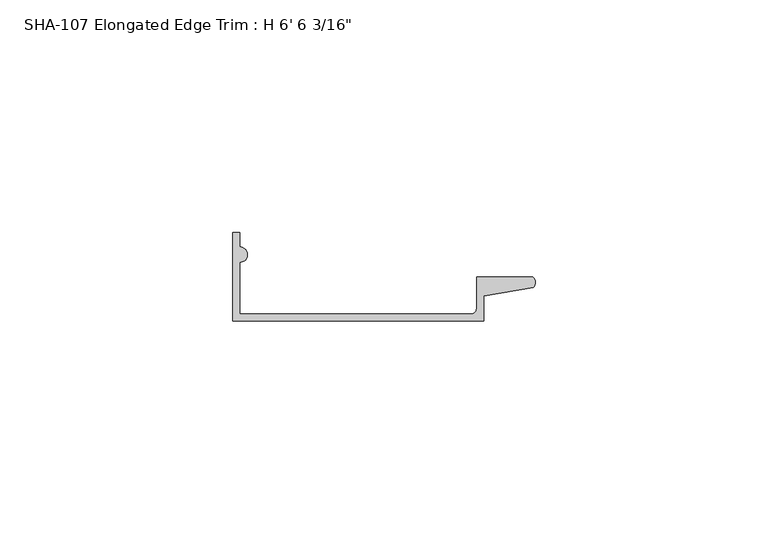
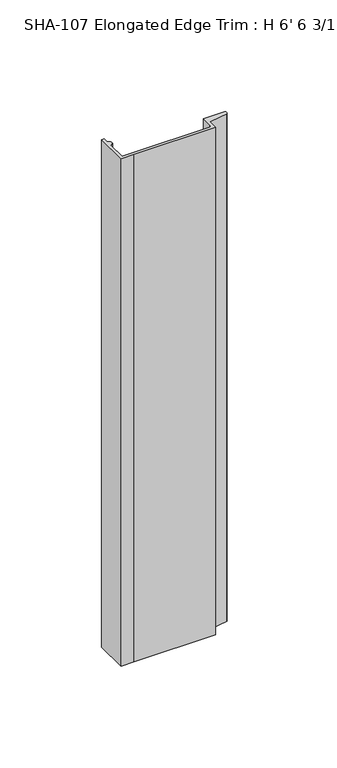
"""IFC4 building model written with IfcOpenShell, lengths in millimetres: proxy geometry."""

from ifc_helpers import new_model, si_unit, point, frame_2d, origin, origin_with_axes, place, context, project, spatial, polyline, circle_curve, trimmed, segment, composite_curve, outline, extrude, source, transform, mapped, element, save


def proxy_dbb774c6(model_context):
    return source(origin(), model_context, "Body", "SweptSolid", [
        extrude(outline(composite_curve([segment(trimmed(circle_curve(frame_2d((51.1493937, -16.3036238)), 1.2260608), [point((51.1493937, -17.5296846))], [point((52.3754545, -16.3036238))], True, "CARTESIAN"), True, "CONTINUOUS"), segment(polyline([(52.3754545, -16.3036238), (52.3754545, -9.525), (64.4602576, -9.525)]), True, "CONTINUOUS"), segment(trimmed(circle_curve(frame_2d((63.3694999, -10.7176765)), 1.6162393), [point((64.4602576, -9.525))], [point((64.5263414, -11.8463692))], False, "CARTESIAN"), True, "CONTINUOUS"), segment(polyline([(64.5263414, -11.8463692), (53.8957699, -13.6666726), (53.8957699, -19.05), (7.5462543, -19.05), (0.0, -19.05), (0.0, 0.0), (1.5203154, 0.0), (1.5203154, -3.1078154)]), True, "CONTINUOUS"), segment(trimmed(circle_curve(frame_2d((1.5203154, -4.7625)), 1.6546846), [point((1.5203154, -3.1078154))], [point((1.5203154, -6.4171846))], False, "CARTESIAN"), True, "CONTINUOUS"), segment(polyline([(1.5203154, -6.4171846), (1.5203154, -17.5296846), (7.5462543, -17.5296846), (51.1493937, -17.5296846)]), True, "CONTINUOUS")], self_intersect=False)), origin_with_axes(), (0.0, 0.0, 1.0), 304.8),
    ])


if __name__ == "__main__":
    model = new_model("IFC4")
    model_context = context("Model", 3, world=origin())
    ifc_project = project(units=[si_unit("LENGTHUNIT", "METRE", prefix="MILLI")], contexts=[model_context])
    site = spatial("IfcSite", under=ifc_project)
    building = spatial("IfcBuilding", under=site)
    placement = place(None, origin())
    proxy_shape = proxy_dbb774c6(model_context)
    element("IfcBuildingElementProxy", 1, Name="SHA-107 Elongated Edge Trim : H 6' 6 3/16\"", ObjectType="SHA-107 Elongated Edge Trim : H 6' 6 3/16\"", at=placement, inside=building, context=model_context, shape_type="MappedRepresentation", body=[
        mapped(proxy_shape, transform((0.0, 0.0, 0.0), x_axis=(1.0, 0.0, 0.0), y_axis=(0.0, 1.0, 0.0), z_axis=(0.0, 0.0, 1.0))),
    ])
    save(model, "model.ifc")
